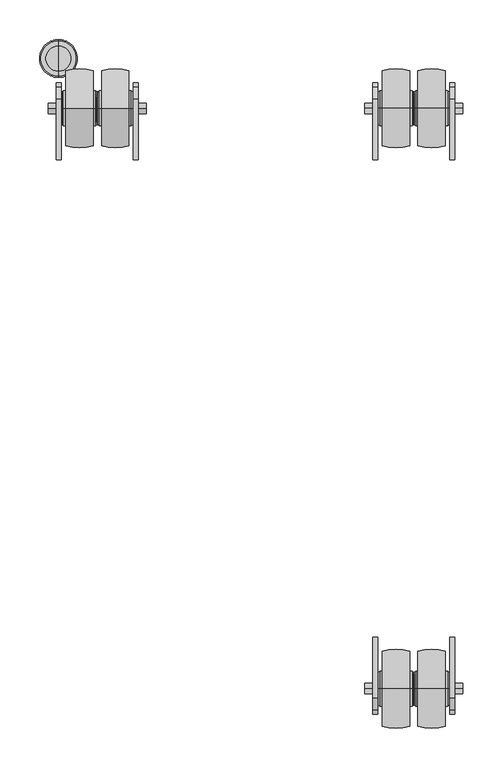
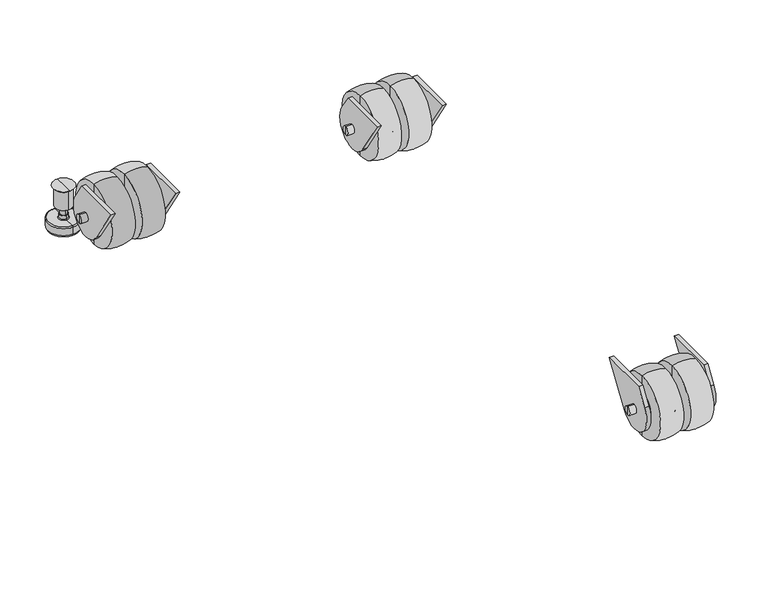
"""IFC4 building model written with IfcOpenShell, lengths in millimetres: proxy geometry."""

from ifc_helpers import new_model, si_unit, point, frame, frame_2d, origin, place, context, project, spatial, polyline, circle_curve, ellipse_curve, trimmed, segment, composite_curve, outline, extrude, source, transform, mapped, element, save
from ifc_brep_helpers import plane_surface, cylinder_surface, revolved_surface, advanced_brep


def specialty_equipment_0c48cecb(model_context):
    return source(origin(), model_context, "Body", "SolidModel", [
        extrude(outline(composite_curve([segment(trimmed(circle_curve(frame_2d((366.0763906, 55.5413333)), 31.75), [point((392.6631786, 72.8965977))], [point((339.4896026, 38.1860689))], False, "CARTESIAN"), True, "CONTINUOUS"), segment(polyline([(339.4896026, 38.1860689), (301.0788976, 97.028), (376.9107355, 97.028), (392.6631786, 72.8965977)]), True, "CONTINUOUS")], self_intersect=False)), frame((244.892125, 0.0, 0.0), z_axis=(1.0, 0.0, 0.0), x_axis=(0.0, 1.0, 0.0)), (0.0, 0.0, 1.0), 6.35),
        extrude(outline(composite_curve([segment(trimmed(circle_curve(frame_2d((366.0763906, 55.5413333)), 31.75), [point((392.6631786, 72.8965977))], [point((339.4896026, 38.1860689))], False, "CARTESIAN"), True, "CONTINUOUS"), segment(polyline([(339.4896026, 38.1860689), (301.0788976, 97.028), (376.9107355, 97.028), (392.6631786, 72.8965977)]), True, "CONTINUOUS")], self_intersect=False)), frame((147.70875, 0.0, 0.0), z_axis=(1.0, 0.0, 0.0), x_axis=(0.0, 1.0, 0.0)), (0.0, 0.0, 1.0), 6.35),
        advanced_brep(
        [(154.82075, 365.7201406, 48.9542667), (154.82075, 365.7201406, 62.1284), (137.54875, 365.7201406, 62.1284), (137.54875, 365.7201406, 48.9542667), (154.82075, 365.7201406, 34.8403333), (154.82075, 365.7201406, 76.2423333), (156.4696108, 365.7201406, 33.1914725), (156.4696108, 365.7201406, 77.8911941), (159.58325, 365.7201406, 33.1914725), (159.58325, 365.7201406, 77.8911941), (159.58325, 365.7201406, 8.1914725), (159.58325, 365.7201406, 102.8911941), (194.13325, 365.7201406, 33.1914725), (194.13325, 365.7201406, 77.8911941), (194.13325, 365.7201406, 102.8911941), (194.13325, 365.7201406, 8.1914725), (197.2468892, 365.7201406, 33.1914725), (197.2468892, 365.7201406, 77.8911941), (198.89575, 365.7201406, 34.8403333), (198.89575, 365.7201406, 76.2423333), (261.26775, 365.7201406, 48.9542667), (261.26775, 365.7201406, 62.1284), (243.99575, 365.7201406, 62.1284), (243.99575, 365.7201406, 48.9542667), (261.26775, 365.7201406, 55.5413333), (137.54875, 365.7201406, 55.5413333), (199.92075, 365.7201406, 34.8403333), (199.92075, 365.7201406, 76.2423333), (201.5696108, 365.7201406, 33.1914725), (201.5696108, 365.7201406, 77.8911941), (204.68325, 365.7201406, 33.1914725), (204.68325, 365.7201406, 77.8911941), (204.68325, 365.7201406, 8.1914725), (204.68325, 365.7201406, 102.8911941), (239.23325, 365.7201406, 8.1914725), (239.23325, 365.7201406, 102.8911941), (239.23325, 365.7201406, 33.1914725), (239.23325, 365.7201406, 77.8911941), (242.3468892, 365.7201406, 33.1914725), (242.3468892, 365.7201406, 77.8911941), (243.99575, 365.7201406, 34.8403333), (243.99575, 365.7201406, 76.2423333)],
        [
            (0, 1, circle_curve(frame((154.82075, 365.7201406, 55.5413333), z_axis=(-1.0, 0.0, 0.0), x_axis=(0.0, 0.0, 1.0)), 6.5870667)),
            (1, 2),
            (2, 3, circle_curve(frame((137.54875, 365.7201406, 55.5413333), z_axis=(1.0, 0.0, 0.0), x_axis=(0.0, 0.0, 1.0)), 6.5870667)),
            (3, 0),
            (1, 0, circle_curve(frame((154.82075, 365.7201406, 55.5413333), z_axis=(-1.0, 0.0, 0.0), x_axis=(0.0, 0.0, 1.0)), 6.5870667)),
            (3, 2, circle_curve(frame((137.54875, 365.7201406, 55.5413333), z_axis=(1.0, 0.0, 0.0), x_axis=(0.0, 0.0, 1.0)), 6.5870667)),
            (4, 5, circle_curve(frame((154.82075, 365.7201406, 55.5413333), z_axis=(-1.0, 0.0, 0.0), x_axis=(0.0, 0.0, 1.0)), 20.701)),
            (5, 1),
            (0, 4),
            (5, 4, circle_curve(frame((154.82075, 365.7201406, 55.5413333), z_axis=(-1.0, 0.0, 0.0), x_axis=(0.0, 0.0, 1.0)), 20.701)),
            (6, 7, circle_curve(frame((156.4696108, 365.7201406, 55.5413333), z_axis=(-1.0, 0.0, 0.0), x_axis=(0.0, 0.0, 1.0)), 22.3498608)),
            (7, 5),
            (4, 6),
            (7, 6, circle_curve(frame((156.4696108, 365.7201406, 55.5413333), z_axis=(-1.0, 0.0, 0.0), x_axis=(0.0, 0.0, 1.0)), 22.3498608)),
            (8, 9, circle_curve(frame((159.58325, 365.7201406, 55.5413333), z_axis=(-1.0, 0.0, 0.0), x_axis=(0.0, 0.0, 1.0)), 22.3498608)),
            (9, 7),
            (6, 8),
            (9, 8, circle_curve(frame((159.58325, 365.7201406, 55.5413333), z_axis=(-1.0, 0.0, 0.0), x_axis=(0.0, 0.0, 1.0)), 22.3498608)),
            (10, 11, circle_curve(frame((159.58325, 365.7201406, 55.5413333), z_axis=(-1.0, 0.0, 0.0), x_axis=(0.0, 0.0, 1.0)), 47.3498608)),
            (11, 9),
            (8, 10),
            (11, 10, circle_curve(frame((159.58325, 365.7201406, 55.5413333), z_axis=(-1.0, 0.0, 0.0), x_axis=(0.0, 0.0, 1.0)), 47.3498608)),
            (12, 13, circle_curve(frame((194.13325, 365.7201406, 55.5413333), z_axis=(-1.0, 0.0, 0.0), x_axis=(0.0, 0.0, 1.0)), 22.3498608)),
            (13, 14),
            (14, 15, circle_curve(frame((194.13325, 365.7201406, 55.5413333), z_axis=(1.0, 0.0, 0.0), x_axis=(0.0, 0.0, 1.0)), 47.3498608)),
            (15, 12),
            (13, 12, circle_curve(frame((194.13325, 365.7201406, 55.5413333), z_axis=(-1.0, 0.0, 0.0), x_axis=(0.0, 0.0, 1.0)), 22.3498608)),
            (15, 14, circle_curve(frame((194.13325, 365.7201406, 55.5413333), z_axis=(1.0, 0.0, 0.0), x_axis=(0.0, 0.0, 1.0)), 47.3498608)),
            (16, 17, circle_curve(frame((197.2468892, 365.7201406, 55.5413333), z_axis=(-1.0, 0.0, 0.0), x_axis=(0.0, 0.0, 1.0)), 22.3498608)),
            (17, 13),
            (12, 16),
            (17, 16, circle_curve(frame((197.2468892, 365.7201406, 55.5413333), z_axis=(-1.0, 0.0, 0.0), x_axis=(0.0, 0.0, 1.0)), 22.3498608)),
            (18, 19, circle_curve(frame((198.89575, 365.7201406, 55.5413333), z_axis=(-1.0, 0.0, 0.0), x_axis=(0.0, 0.0, 1.0)), 20.701)),
            (19, 17),
            (16, 18),
            (19, 18, circle_curve(frame((198.89575, 365.7201406, 55.5413333), z_axis=(-1.0, 0.0, 0.0), x_axis=(0.0, 0.0, 1.0)), 20.701)),
            (20, 21, circle_curve(frame((261.26775, 365.7201406, 55.5413333), z_axis=(-1.0, 0.0, 0.0), x_axis=(0.0, 0.0, 1.0)), 6.5870667)),
            (21, 22),
            (22, 23, circle_curve(frame((243.99575, 365.7201406, 55.5413333), z_axis=(1.0, 0.0, 0.0), x_axis=(0.0, 0.0, 1.0)), 6.5870667)),
            (23, 20),
            (21, 20, circle_curve(frame((261.26775, 365.7201406, 55.5413333), z_axis=(-1.0, 0.0, 0.0), x_axis=(0.0, 0.0, 1.0)), 6.5870667)),
            (23, 22, circle_curve(frame((243.99575, 365.7201406, 55.5413333), z_axis=(1.0, 0.0, 0.0), x_axis=(0.0, 0.0, 1.0)), 6.5870667)),
            (24, 21),
            (20, 24),
            (2, 25),
            (25, 3),
            (14, 11, circle_curve(frame((176.85825, 365.7201406, 52.5467295), z_axis=(0.0, -1.0, 0.0), x_axis=(-1.0, 0.0, 0.0)), 53.2258466)),
            (10, 15, circle_curve(frame((176.85825, 365.7201406, 58.5359371), z_axis=(0.0, -1.0, 0.0), x_axis=(-1.0, 0.0, 0.0)), 53.2258466)),
            (26, 27, circle_curve(frame((199.92075, 365.7201406, 55.5413333), z_axis=(-1.0, 0.0, 0.0), x_axis=(0.0, 0.0, 1.0)), 20.701)),
            (27, 19),
            (18, 26),
            (27, 26, circle_curve(frame((199.92075, 365.7201406, 55.5413333), z_axis=(-1.0, 0.0, 0.0), x_axis=(0.0, 0.0, 1.0)), 20.701)),
            (28, 29, circle_curve(frame((201.5696108, 365.7201406, 55.5413333), z_axis=(-1.0, 0.0, 0.0), x_axis=(0.0, 0.0, 1.0)), 22.3498608)),
            (29, 27),
            (26, 28),
            (29, 28, circle_curve(frame((201.5696108, 365.7201406, 55.5413333), z_axis=(-1.0, 0.0, 0.0), x_axis=(0.0, 0.0, 1.0)), 22.3498608)),
            (30, 31, circle_curve(frame((204.68325, 365.7201406, 55.5413333), z_axis=(-1.0, 0.0, 0.0), x_axis=(0.0, 0.0, 1.0)), 22.3498608)),
            (31, 29),
            (28, 30),
            (31, 30, circle_curve(frame((204.68325, 365.7201406, 55.5413333), z_axis=(-1.0, 0.0, 0.0), x_axis=(0.0, 0.0, 1.0)), 22.3498608)),
            (32, 33, circle_curve(frame((204.68325, 365.7201406, 55.5413333), z_axis=(-1.0, 0.0, 0.0), x_axis=(0.0, 0.0, 1.0)), 47.3498608)),
            (33, 31),
            (30, 32),
            (33, 32, circle_curve(frame((204.68325, 365.7201406, 55.5413333), z_axis=(-1.0, 0.0, 0.0), x_axis=(0.0, 0.0, 1.0)), 47.3498608)),
            (34, 35, circle_curve(frame((239.23325, 365.7201406, 55.5413333), z_axis=(-1.0, 0.0, 0.0), x_axis=(0.0, 0.0, 1.0)), 47.3498608)),
            (35, 33, circle_curve(frame((221.95825, 365.7201406, 52.5467295), z_axis=(0.0, -1.0, 0.0), x_axis=(-1.0, 0.0, 0.0)), 53.2258466)),
            (32, 34, circle_curve(frame((221.95825, 365.7201406, 58.5359371), z_axis=(0.0, -1.0, 0.0), x_axis=(-1.0, 0.0, 0.0)), 53.2258466)),
            (35, 34, circle_curve(frame((239.23325, 365.7201406, 55.5413333), z_axis=(-1.0, 0.0, 0.0), x_axis=(0.0, 0.0, 1.0)), 47.3498608)),
            (36, 37, circle_curve(frame((239.23325, 365.7201406, 55.5413333), z_axis=(-1.0, 0.0, 0.0), x_axis=(0.0, 0.0, 1.0)), 22.3498608)),
            (37, 35),
            (34, 36),
            (37, 36, circle_curve(frame((239.23325, 365.7201406, 55.5413333), z_axis=(-1.0, 0.0, 0.0), x_axis=(0.0, 0.0, 1.0)), 22.3498608)),
            (38, 39, circle_curve(frame((242.3468892, 365.7201406, 55.5413333), z_axis=(-1.0, 0.0, 0.0), x_axis=(0.0, 0.0, 1.0)), 22.3498608)),
            (39, 37),
            (36, 38),
            (39, 38, circle_curve(frame((242.3468892, 365.7201406, 55.5413333), z_axis=(-1.0, 0.0, 0.0), x_axis=(0.0, 0.0, 1.0)), 22.3498608)),
            (40, 41, circle_curve(frame((243.99575, 365.7201406, 55.5413333), z_axis=(-1.0, 0.0, 0.0), x_axis=(0.0, 0.0, 1.0)), 20.701)),
            (41, 39),
            (38, 40),
            (41, 40, circle_curve(frame((243.99575, 365.7201406, 55.5413333), z_axis=(-1.0, 0.0, 0.0), x_axis=(0.0, 0.0, 1.0)), 20.701)),
            (22, 41),
            (40, 23),
        ],
        [
            cylinder_surface(frame((232.41775, 365.7201406, 55.5413333), z_axis=(1.0, 0.0, 0.0), x_axis=(0.0, 0.0, 1.0)), 6.5870667),
            plane_surface(frame((154.82075, 365.7201406, 55.5413333), z_axis=(-1.0, 0.0, 0.0), x_axis=(0.0, 0.0, 1.0))),
            revolved_surface(polyline([(154.82075, 365.7201406, 76.2423333), (156.4696108, 365.7201406, 77.8911941)]), (232.41775, 365.7201406, 55.5413333), (1.0, 0.0, 0.0)),
            cylinder_surface(frame((232.41775, 365.7201406, 55.5413333), z_axis=(1.0, 0.0, 0.0), x_axis=(0.0, 0.0, 1.0)), 22.3498608),
            plane_surface(frame((159.58325, 365.7201406, 55.5413333), z_axis=(-1.0, 0.0, 0.0), x_axis=(0.0, 0.0, 1.0))),
            plane_surface(frame((194.13325, 365.7201406, 55.5413333), z_axis=(1.0, 0.0, 0.0), x_axis=(0.0, 0.0, 1.0))),
            revolved_surface(polyline([(197.2468892, 365.7201406, 77.8911941), (198.89575, 365.7201406, 76.2423333)]), (232.41775, 365.7201406, 55.5413333), (1.0, 0.0, 0.0)),
            plane_surface(frame((261.26775, 365.7201406, 55.5413333), z_axis=(1.0, 0.0, 0.0), x_axis=(0.0, 0.0, 1.0))),
            plane_surface(frame((137.54875, 365.7201406, 55.5413333), z_axis=(-1.0, 0.0, 0.0), x_axis=(0.0, 0.0, 1.0))),
            revolved_surface(trimmed(ellipse_curve(frame((176.85825, 365.7201406, 52.5467295), z_axis=(0.0, 1.0, 0.0), x_axis=(-1.0, 0.0, 0.0)), 53.2258466, 53.2258466), [point((159.58325, 365.7201406, 102.8911941))], [point((194.13325, 365.7201406, 102.8911941))], True, "CARTESIAN"), (232.41775, 365.7201406, 55.5413333), (1.0, 0.0, 0.0)),
            cylinder_surface(frame((232.41775, 365.7201406, 55.5413333), z_axis=(1.0, 0.0, 0.0), x_axis=(0.0, 0.0, 1.0)), 20.701),
            revolved_surface(polyline([(199.92075, 365.7201406, 76.2423333), (201.5696108, 365.7201406, 77.8911941)]), (232.41775, 365.7201406, 55.5413333), (1.0, 0.0, 0.0)),
            plane_surface(frame((204.68325, 365.7201406, 55.5413333), z_axis=(-1.0, 0.0, 0.0), x_axis=(0.0, 0.0, 1.0))),
            revolved_surface(trimmed(ellipse_curve(frame((221.95825, 365.7201406, 52.5467295), z_axis=(0.0, 1.0, 0.0), x_axis=(-1.0, 0.0, 0.0)), 53.2258466, 53.2258466), [point((204.68325, 365.7201406, 102.8911941))], [point((239.23325, 365.7201406, 102.8911941))], True, "CARTESIAN"), (232.41775, 365.7201406, 55.5413333), (1.0, 0.0, 0.0)),
            plane_surface(frame((239.23325, 365.7201406, 55.5413333), z_axis=(1.0, 0.0, 0.0), x_axis=(0.0, 0.0, 1.0))),
            revolved_surface(polyline([(242.3468892, 365.7201406, 77.8911941), (243.99575, 365.7201406, 76.2423333)]), (232.41775, 365.7201406, 55.5413333), (1.0, 0.0, 0.0)),
            plane_surface(frame((243.99575, 365.7201406, 55.5413333), z_axis=(1.0, 0.0, 0.0), x_axis=(0.0, 0.0, 1.0))),
        ],
        [
            (0, [[1, 2, 3, 4]]),
            (0, [[5, -4, 6, -2]]),
            (1, [[7, 8, -1, 9]]),
            (1, [[10, -9, -5, -8]]),
            (2, [[11, 12, -7, 13]]),
            (2, [[14, -13, -10, -12]]),
            (3, [[15, 16, -11, 17]]),
            (3, [[18, -17, -14, -16]]),
            (4, [[19, 20, -15, 21]]),
            (4, [[22, -21, -18, -20]]),
            (5, [[23, 24, 25, 26]]),
            (5, [[27, -26, 28, -24]]),
            (3, [[29, 30, -23, 31]]),
            (3, [[32, -31, -27, -30]]),
            (6, [[33, 34, -29, 35]]),
            (6, [[36, -35, -32, -34]]),
            (0, [[37, 38, 39, 40]]),
            (0, [[41, -40, 42, -38]]),
            (7, [[43, -37, 44]]),
            (7, [[-44, -41, -43]]),
            (8, [[-3, 45, 46]]),
            (8, [[-6, -46, -45]]),
            (9, [[-25, 47, -19, 48]]),
            (9, [[-28, -48, -22, -47]]),
            (10, [[49, 50, -33, 51]]),
            (10, [[52, -51, -36, -50]]),
            (11, [[53, 54, -49, 55]]),
            (11, [[56, -55, -52, -54]]),
            (3, [[57, 58, -53, 59]]),
            (3, [[60, -59, -56, -58]]),
            (12, [[61, 62, -57, 63]]),
            (12, [[64, -63, -60, -62]]),
            (13, [[65, 66, -61, 67]]),
            (13, [[68, -67, -64, -66]]),
            (14, [[69, 70, -65, 71]]),
            (14, [[72, -71, -68, -70]]),
            (3, [[73, 74, -69, 75]]),
            (3, [[76, -75, -72, -74]]),
            (15, [[77, 78, -73, 79]]),
            (15, [[80, -79, -76, -78]]),
            (16, [[-39, 81, -77, 82]]),
            (16, [[-42, -82, -80, -81]]),
        ],
    ),
        extrude(outline(composite_curve([segment(trimmed(circle_curve(frame_2d((366.0763906, 55.5413333)), 31.75), [point((392.6631786, 72.8965977))], [point((339.4896026, 38.1860689))], False, "CARTESIAN"), True, "CONTINUOUS"), segment(polyline([(339.4896026, 38.1860689), (301.0788976, 97.028), (376.9107355, 97.028), (392.6631786, 72.8965977)]), True, "CONTINUOUS")], self_intersect=False)), frame((-251.242125, 0.0, 0.0), z_axis=(1.0, 0.0, 0.0), x_axis=(0.0, 1.0, 0.0)), (0.0, 0.0, 1.0), 6.35),
        extrude(outline(composite_curve([segment(trimmed(circle_curve(frame_2d((366.0763906, 55.5413333)), 31.75), [point((392.6631786, 72.8965977))], [point((339.4896026, 38.1860689))], False, "CARTESIAN"), True, "CONTINUOUS"), segment(polyline([(339.4896026, 38.1860689), (301.0788976, 97.028), (376.9107355, 97.028), (392.6631786, 72.8965977)]), True, "CONTINUOUS")], self_intersect=False)), frame((-154.05875, 0.0, 0.0), z_axis=(1.0, 0.0, 0.0), x_axis=(0.0, 1.0, 0.0)), (0.0, 0.0, 1.0), 6.35),
        advanced_brep(
        [(-154.82075, 365.7201406, 48.9542667), (-154.82075, 365.7201406, 62.1284), (-137.54875, 365.7201406, 62.1284), (-137.54875, 365.7201406, 48.9542667), (-154.82075, 365.7201406, 34.8403333), (-154.82075, 365.7201406, 76.2423333), (-156.4696108, 365.7201406, 33.1914725), (-156.4696108, 365.7201406, 77.8911941), (-159.58325, 365.7201406, 33.1914725), (-159.58325, 365.7201406, 77.8911941), (-159.58325, 365.7201406, 8.1914725), (-159.58325, 365.7201406, 102.8911941), (-194.13325, 365.7201406, 33.1914725), (-194.13325, 365.7201406, 77.8911941), (-194.13325, 365.7201406, 102.8911941), (-194.13325, 365.7201406, 8.1914725), (-197.2468892, 365.7201406, 33.1914725), (-197.2468892, 365.7201406, 77.8911941), (-198.89575, 365.7201406, 34.8403333), (-198.89575, 365.7201406, 76.2423333), (-261.26775, 365.7201406, 48.9542667), (-261.26775, 365.7201406, 62.1284), (-243.99575, 365.7201406, 62.1284), (-243.99575, 365.7201406, 48.9542667), (-261.26775, 365.7201406, 55.5413333), (-137.54875, 365.7201406, 55.5413333), (-199.92075, 365.7201406, 34.8403333), (-199.92075, 365.7201406, 76.2423333), (-201.5696108, 365.7201406, 33.1914725), (-201.5696108, 365.7201406, 77.8911941), (-204.68325, 365.7201406, 33.1914725), (-204.68325, 365.7201406, 77.8911941), (-204.68325, 365.7201406, 8.1914725), (-204.68325, 365.7201406, 102.8911941), (-239.23325, 365.7201406, 8.1914725), (-239.23325, 365.7201406, 102.8911941), (-239.23325, 365.7201406, 33.1914725), (-239.23325, 365.7201406, 77.8911941), (-242.3468892, 365.7201406, 33.1914725), (-242.3468892, 365.7201406, 77.8911941), (-243.99575, 365.7201406, 34.8403333), (-243.99575, 365.7201406, 76.2423333)],
        [
            (0, 1, circle_curve(frame((-154.82075, 365.7201406, 55.5413333), z_axis=(1.0, 0.0, 0.0), x_axis=(0.0, 0.0, 1.0)), 6.5870667)),
            (1, 2),
            (2, 3, circle_curve(frame((-137.54875, 365.7201406, 55.5413333), z_axis=(-1.0, 0.0, 0.0), x_axis=(0.0, 0.0, 1.0)), 6.5870667)),
            (3, 0),
            (1, 0, circle_curve(frame((-154.82075, 365.7201406, 55.5413333), z_axis=(1.0, 0.0, 0.0), x_axis=(0.0, 0.0, 1.0)), 6.5870667)),
            (3, 2, circle_curve(frame((-137.54875, 365.7201406, 55.5413333), z_axis=(-1.0, 0.0, 0.0), x_axis=(0.0, 0.0, 1.0)), 6.5870667)),
            (4, 5, circle_curve(frame((-154.82075, 365.7201406, 55.5413333), z_axis=(1.0, 0.0, 0.0), x_axis=(0.0, 0.0, 1.0)), 20.701)),
            (5, 1),
            (0, 4),
            (5, 4, circle_curve(frame((-154.82075, 365.7201406, 55.5413333), z_axis=(1.0, 0.0, 0.0), x_axis=(0.0, 0.0, 1.0)), 20.701)),
            (6, 7, circle_curve(frame((-156.4696108, 365.7201406, 55.5413333), z_axis=(1.0, 0.0, 0.0), x_axis=(0.0, 0.0, 1.0)), 22.3498608)),
            (7, 5),
            (4, 6),
            (7, 6, circle_curve(frame((-156.4696108, 365.7201406, 55.5413333), z_axis=(1.0, 0.0, 0.0), x_axis=(0.0, 0.0, 1.0)), 22.3498608)),
            (8, 9, circle_curve(frame((-159.58325, 365.7201406, 55.5413333), z_axis=(1.0, 0.0, 0.0), x_axis=(0.0, 0.0, 1.0)), 22.3498608)),
            (9, 7),
            (6, 8),
            (9, 8, circle_curve(frame((-159.58325, 365.7201406, 55.5413333), z_axis=(1.0, 0.0, 0.0), x_axis=(0.0, 0.0, 1.0)), 22.3498608)),
            (10, 11, circle_curve(frame((-159.58325, 365.7201406, 55.5413333), z_axis=(1.0, 0.0, 0.0), x_axis=(0.0, 0.0, 1.0)), 47.3498608)),
            (11, 9),
            (8, 10),
            (11, 10, circle_curve(frame((-159.58325, 365.7201406, 55.5413333), z_axis=(1.0, 0.0, 0.0), x_axis=(0.0, 0.0, 1.0)), 47.3498608)),
            (12, 13, circle_curve(frame((-194.13325, 365.7201406, 55.5413333), z_axis=(1.0, 0.0, 0.0), x_axis=(0.0, 0.0, 1.0)), 22.3498608)),
            (13, 14),
            (14, 15, circle_curve(frame((-194.13325, 365.7201406, 55.5413333), z_axis=(-1.0, 0.0, 0.0), x_axis=(0.0, 0.0, 1.0)), 47.3498608)),
            (15, 12),
            (13, 12, circle_curve(frame((-194.13325, 365.7201406, 55.5413333), z_axis=(1.0, 0.0, 0.0), x_axis=(0.0, 0.0, 1.0)), 22.3498608)),
            (15, 14, circle_curve(frame((-194.13325, 365.7201406, 55.5413333), z_axis=(-1.0, 0.0, 0.0), x_axis=(0.0, 0.0, 1.0)), 47.3498608)),
            (16, 17, circle_curve(frame((-197.2468892, 365.7201406, 55.5413333), z_axis=(1.0, 0.0, 0.0), x_axis=(0.0, 0.0, 1.0)), 22.3498608)),
            (17, 13),
            (12, 16),
            (17, 16, circle_curve(frame((-197.2468892, 365.7201406, 55.5413333), z_axis=(1.0, 0.0, 0.0), x_axis=(0.0, 0.0, 1.0)), 22.3498608)),
            (18, 19, circle_curve(frame((-198.89575, 365.7201406, 55.5413333), z_axis=(1.0, 0.0, 0.0), x_axis=(0.0, 0.0, 1.0)), 20.701)),
            (19, 17),
            (16, 18),
            (19, 18, circle_curve(frame((-198.89575, 365.7201406, 55.5413333), z_axis=(1.0, 0.0, 0.0), x_axis=(0.0, 0.0, 1.0)), 20.701)),
            (20, 21, circle_curve(frame((-261.26775, 365.7201406, 55.5413333), z_axis=(1.0, 0.0, 0.0), x_axis=(0.0, 0.0, 1.0)), 6.5870667)),
            (21, 22),
            (22, 23, circle_curve(frame((-243.99575, 365.7201406, 55.5413333), z_axis=(-1.0, 0.0, 0.0), x_axis=(0.0, 0.0, 1.0)), 6.5870667)),
            (23, 20),
            (21, 20, circle_curve(frame((-261.26775, 365.7201406, 55.5413333), z_axis=(1.0, 0.0, 0.0), x_axis=(0.0, 0.0, 1.0)), 6.5870667)),
            (23, 22, circle_curve(frame((-243.99575, 365.7201406, 55.5413333), z_axis=(-1.0, 0.0, 0.0), x_axis=(0.0, 0.0, 1.0)), 6.5870667)),
            (24, 21),
            (20, 24),
            (2, 25),
            (25, 3),
            (14, 11, circle_curve(frame((-176.85825, 365.7201406, 52.5467295), z_axis=(0.0, 1.0, 0.0), x_axis=(1.0, 0.0, 0.0)), 53.2258466)),
            (10, 15, circle_curve(frame((-176.85825, 365.7201406, 58.5359371), z_axis=(0.0, 1.0, 0.0), x_axis=(1.0, 0.0, 0.0)), 53.2258466)),
            (26, 27, circle_curve(frame((-199.92075, 365.7201406, 55.5413333), z_axis=(1.0, 0.0, 0.0), x_axis=(0.0, 0.0, 1.0)), 20.701)),
            (27, 19),
            (18, 26),
            (27, 26, circle_curve(frame((-199.92075, 365.7201406, 55.5413333), z_axis=(1.0, 0.0, 0.0), x_axis=(0.0, 0.0, 1.0)), 20.701)),
            (28, 29, circle_curve(frame((-201.5696108, 365.7201406, 55.5413333), z_axis=(1.0, 0.0, 0.0), x_axis=(0.0, 0.0, 1.0)), 22.3498608)),
            (29, 27),
            (26, 28),
            (29, 28, circle_curve(frame((-201.5696108, 365.7201406, 55.5413333), z_axis=(1.0, 0.0, 0.0), x_axis=(0.0, 0.0, 1.0)), 22.3498608)),
            (30, 31, circle_curve(frame((-204.68325, 365.7201406, 55.5413333), z_axis=(1.0, 0.0, 0.0), x_axis=(0.0, 0.0, 1.0)), 22.3498608)),
            (31, 29),
            (28, 30),
            (31, 30, circle_curve(frame((-204.68325, 365.7201406, 55.5413333), z_axis=(1.0, 0.0, 0.0), x_axis=(0.0, 0.0, 1.0)), 22.3498608)),
            (32, 33, circle_curve(frame((-204.68325, 365.7201406, 55.5413333), z_axis=(1.0, 0.0, 0.0), x_axis=(0.0, 0.0, 1.0)), 47.3498608)),
            (33, 31),
            (30, 32),
            (33, 32, circle_curve(frame((-204.68325, 365.7201406, 55.5413333), z_axis=(1.0, 0.0, 0.0), x_axis=(0.0, 0.0, 1.0)), 47.3498608)),
            (34, 35, circle_curve(frame((-239.23325, 365.7201406, 55.5413333), z_axis=(1.0, 0.0, 0.0), x_axis=(0.0, 0.0, 1.0)), 47.3498608)),
            (35, 33, circle_curve(frame((-221.95825, 365.7201406, 52.5467295), z_axis=(0.0, 1.0, 0.0), x_axis=(1.0, 0.0, 0.0)), 53.2258466)),
            (32, 34, circle_curve(frame((-221.95825, 365.7201406, 58.5359371), z_axis=(0.0, 1.0, 0.0), x_axis=(1.0, 0.0, 0.0)), 53.2258466)),
            (35, 34, circle_curve(frame((-239.23325, 365.7201406, 55.5413333), z_axis=(1.0, 0.0, 0.0), x_axis=(0.0, 0.0, 1.0)), 47.3498608)),
            (36, 37, circle_curve(frame((-239.23325, 365.7201406, 55.5413333), z_axis=(1.0, 0.0, 0.0), x_axis=(0.0, 0.0, 1.0)), 22.3498608)),
            (37, 35),
            (34, 36),
            (37, 36, circle_curve(frame((-239.23325, 365.7201406, 55.5413333), z_axis=(1.0, 0.0, 0.0), x_axis=(0.0, 0.0, 1.0)), 22.3498608)),
            (38, 39, circle_curve(frame((-242.3468892, 365.7201406, 55.5413333), z_axis=(1.0, 0.0, 0.0), x_axis=(0.0, 0.0, 1.0)), 22.3498608)),
            (39, 37),
            (36, 38),
            (39, 38, circle_curve(frame((-242.3468892, 365.7201406, 55.5413333), z_axis=(1.0, 0.0, 0.0), x_axis=(0.0, 0.0, 1.0)), 22.3498608)),
            (40, 41, circle_curve(frame((-243.99575, 365.7201406, 55.5413333), z_axis=(1.0, 0.0, 0.0), x_axis=(0.0, 0.0, 1.0)), 20.701)),
            (41, 39),
            (38, 40),
            (41, 40, circle_curve(frame((-243.99575, 365.7201406, 55.5413333), z_axis=(1.0, 0.0, 0.0), x_axis=(0.0, 0.0, 1.0)), 20.701)),
            (22, 41),
            (40, 23),
        ],
        [
            cylinder_surface(frame((-232.41775, 365.7201406, 55.5413333), z_axis=(-1.0, 0.0, 0.0), x_axis=(0.0, 0.0, 1.0)), 6.5870667),
            plane_surface(frame((-154.82075, 365.7201406, 55.5413333), z_axis=(1.0, 0.0, 0.0), x_axis=(0.0, 0.0, 1.0))),
            revolved_surface(polyline([(-154.82075, 365.7201406, 76.2423333), (-156.4696108, 365.7201406, 77.8911941)]), (-232.41775, 365.7201406, 55.5413333), (-1.0, 0.0, 0.0)),
            cylinder_surface(frame((-232.41775, 365.7201406, 55.5413333), z_axis=(-1.0, 0.0, 0.0), x_axis=(0.0, 0.0, 1.0)), 22.3498608),
            plane_surface(frame((-159.58325, 365.7201406, 55.5413333), z_axis=(1.0, 0.0, 0.0), x_axis=(0.0, 0.0, 1.0))),
            plane_surface(frame((-194.13325, 365.7201406, 55.5413333), z_axis=(-1.0, 0.0, 0.0), x_axis=(0.0, 0.0, 1.0))),
            revolved_surface(polyline([(-197.2468892, 365.7201406, 77.8911941), (-198.89575, 365.7201406, 76.2423333)]), (-232.41775, 365.7201406, 55.5413333), (-1.0, 0.0, 0.0)),
            plane_surface(frame((-261.26775, 365.7201406, 55.5413333), z_axis=(-1.0, 0.0, 0.0), x_axis=(0.0, 0.0, 1.0))),
            plane_surface(frame((-137.54875, 365.7201406, 55.5413333), z_axis=(1.0, 0.0, 0.0), x_axis=(0.0, 0.0, 1.0))),
            revolved_surface(trimmed(ellipse_curve(frame((-176.85825, 365.7201406, 52.5467295), z_axis=(0.0, -1.0, 0.0), x_axis=(1.0, 0.0, 0.0)), 53.2258466, 53.2258466), [point((-159.58325, 365.7201406, 102.8911941))], [point((-194.13325, 365.7201406, 102.8911941))], True, "CARTESIAN"), (-232.41775, 365.7201406, 55.5413333), (-1.0, 0.0, 0.0)),
            cylinder_surface(frame((-232.41775, 365.7201406, 55.5413333), z_axis=(-1.0, 0.0, 0.0), x_axis=(0.0, 0.0, 1.0)), 20.701),
            revolved_surface(polyline([(-199.92075, 365.7201406, 76.2423333), (-201.5696108, 365.7201406, 77.8911941)]), (-232.41775, 365.7201406, 55.5413333), (-1.0, 0.0, 0.0)),
            plane_surface(frame((-204.68325, 365.7201406, 55.5413333), z_axis=(1.0, 0.0, 0.0), x_axis=(0.0, 0.0, 1.0))),
            revolved_surface(trimmed(ellipse_curve(frame((-221.95825, 365.7201406, 52.5467295), z_axis=(0.0, -1.0, 0.0), x_axis=(1.0, 0.0, 0.0)), 53.2258466, 53.2258466), [point((-204.68325, 365.7201406, 102.8911941))], [point((-239.23325, 365.7201406, 102.8911941))], True, "CARTESIAN"), (-232.41775, 365.7201406, 55.5413333), (-1.0, 0.0, 0.0)),
            plane_surface(frame((-239.23325, 365.7201406, 55.5413333), z_axis=(-1.0, 0.0, 0.0), x_axis=(0.0, 0.0, 1.0))),
            revolved_surface(polyline([(-242.3468892, 365.7201406, 77.8911941), (-243.99575, 365.7201406, 76.2423333)]), (-232.41775, 365.7201406, 55.5413333), (-1.0, 0.0, 0.0)),
            plane_surface(frame((-243.99575, 365.7201406, 55.5413333), z_axis=(-1.0, 0.0, 0.0), x_axis=(0.0, 0.0, 1.0))),
        ],
        [
            (0, [[1, 2, 3, 4]]),
            (0, [[5, -4, 6, -2]]),
            (1, [[7, 8, -1, 9]]),
            (1, [[10, -9, -5, -8]]),
            (2, [[11, 12, -7, 13]]),
            (2, [[14, -13, -10, -12]]),
            (3, [[15, 16, -11, 17]]),
            (3, [[18, -17, -14, -16]]),
            (4, [[19, 20, -15, 21]]),
            (4, [[22, -21, -18, -20]]),
            (5, [[23, 24, 25, 26]]),
            (5, [[27, -26, 28, -24]]),
            (3, [[29, 30, -23, 31]]),
            (3, [[32, -31, -27, -30]]),
            (6, [[33, 34, -29, 35]]),
            (6, [[36, -35, -32, -34]]),
            (0, [[37, 38, 39, 40]]),
            (0, [[41, -40, 42, -38]]),
            (7, [[43, -37, 44]]),
            (7, [[-44, -41, -43]]),
            (8, [[-3, 45, 46]]),
            (8, [[-6, -46, -45]]),
            (9, [[-25, 47, -19, 48]]),
            (9, [[-28, -48, -22, -47]]),
            (10, [[49, 50, -33, 51]]),
            (10, [[52, -51, -36, -50]]),
            (11, [[53, 54, -49, 55]]),
            (11, [[56, -55, -52, -54]]),
            (3, [[57, 58, -53, 59]]),
            (3, [[60, -59, -56, -58]]),
            (12, [[61, 62, -57, 63]]),
            (12, [[64, -63, -60, -62]]),
            (13, [[65, 66, -61, 67]]),
            (13, [[68, -67, -64, -66]]),
            (14, [[69, 70, -65, 71]]),
            (14, [[72, -71, -68, -70]]),
            (3, [[73, 74, -69, 75]]),
            (3, [[76, -75, -72, -74]]),
            (15, [[77, 78, -73, 79]]),
            (15, [[80, -79, -76, -78]]),
            (16, [[-39, 81, -77, 82]]),
            (16, [[-42, -82, -80, -81]]),
        ],
    ),
        extrude(outline(composite_curve([segment(polyline([(-392.6631786, 72.8965977), (-376.9107355, 97.028), (-301.0788976, 97.028), (-339.4896026, 38.1860689)]), True, "CONTINUOUS"), segment(trimmed(circle_curve(frame_2d((-366.0763906, 55.5413333)), 31.75), [point((-339.4896026, 38.1860689))], [point((-392.6631786, 72.8965977))], False, "CARTESIAN"), True, "CONTINUOUS")], self_intersect=False)), frame((244.892125, 0.0, 0.0), z_axis=(1.0, 0.0, 0.0), x_axis=(0.0, 1.0, 0.0)), (0.0, 0.0, 1.0), 6.35),
        extrude(outline(composite_curve([segment(polyline([(-392.6631786, 72.8965977), (-376.9107355, 97.028), (-301.0788976, 97.028), (-339.4896026, 38.1860689)]), True, "CONTINUOUS"), segment(trimmed(circle_curve(frame_2d((-366.0763906, 55.5413333)), 31.75), [point((-339.4896026, 38.1860689))], [point((-392.6631786, 72.8965977))], False, "CARTESIAN"), True, "CONTINUOUS")], self_intersect=False)), frame((147.70875, 0.0, 0.0), z_axis=(1.0, 0.0, 0.0), x_axis=(0.0, 1.0, 0.0)), (0.0, 0.0, 1.0), 6.35),
        advanced_brep(
        [(154.82075, -365.7201406, 48.9542667), (154.82075, -365.7201406, 62.1284), (137.54875, -365.7201406, 62.1284), (137.54875, -365.7201406, 48.9542667), (154.82075, -365.7201406, 34.8403333), (154.82075, -365.7201406, 76.2423333), (156.4696108, -365.7201406, 33.1914725), (156.4696108, -365.7201406, 77.8911941), (159.58325, -365.7201406, 33.1914725), (159.58325, -365.7201406, 77.8911941), (159.58325, -365.7201406, 8.1914725), (159.58325, -365.7201406, 102.8911941), (194.13325, -365.7201406, 33.1914725), (194.13325, -365.7201406, 77.8911941), (194.13325, -365.7201406, 102.8911941), (194.13325, -365.7201406, 8.1914725), (197.2468892, -365.7201406, 33.1914725), (197.2468892, -365.7201406, 77.8911941), (198.89575, -365.7201406, 34.8403333), (198.89575, -365.7201406, 76.2423333), (261.26775, -365.7201406, 48.9542667), (261.26775, -365.7201406, 62.1284), (243.99575, -365.7201406, 62.1284), (243.99575, -365.7201406, 48.9542667), (261.26775, -365.7201406, 55.5413333), (137.54875, -365.7201406, 55.5413333), (199.92075, -365.7201406, 34.8403333), (199.92075, -365.7201406, 76.2423333), (201.5696108, -365.7201406, 33.1914725), (201.5696108, -365.7201406, 77.8911941), (204.68325, -365.7201406, 33.1914725), (204.68325, -365.7201406, 77.8911941), (204.68325, -365.7201406, 8.1914725), (204.68325, -365.7201406, 102.8911941), (239.23325, -365.7201406, 8.1914725), (239.23325, -365.7201406, 102.8911941), (239.23325, -365.7201406, 33.1914725), (239.23325, -365.7201406, 77.8911941), (242.3468892, -365.7201406, 33.1914725), (242.3468892, -365.7201406, 77.8911941), (243.99575, -365.7201406, 34.8403333), (243.99575, -365.7201406, 76.2423333)],
        [
            (0, 1, circle_curve(frame((154.82075, -365.7201406, 55.5413333), z_axis=(-1.0, 0.0, 0.0), x_axis=(0.0, 0.0, 1.0)), 6.5870667)),
            (1, 2),
            (2, 3, circle_curve(frame((137.54875, -365.7201406, 55.5413333), z_axis=(1.0, 0.0, 0.0), x_axis=(0.0, 0.0, 1.0)), 6.5870667)),
            (3, 0),
            (1, 0, circle_curve(frame((154.82075, -365.7201406, 55.5413333), z_axis=(-1.0, 0.0, 0.0), x_axis=(0.0, 0.0, 1.0)), 6.5870667)),
            (3, 2, circle_curve(frame((137.54875, -365.7201406, 55.5413333), z_axis=(1.0, 0.0, 0.0), x_axis=(0.0, 0.0, 1.0)), 6.5870667)),
            (4, 5, circle_curve(frame((154.82075, -365.7201406, 55.5413333), z_axis=(-1.0, 0.0, 0.0), x_axis=(0.0, 0.0, 1.0)), 20.701)),
            (5, 1),
            (0, 4),
            (5, 4, circle_curve(frame((154.82075, -365.7201406, 55.5413333), z_axis=(-1.0, 0.0, 0.0), x_axis=(0.0, 0.0, 1.0)), 20.701)),
            (6, 7, circle_curve(frame((156.4696108, -365.7201406, 55.5413333), z_axis=(-1.0, 0.0, 0.0), x_axis=(0.0, 0.0, 1.0)), 22.3498608)),
            (7, 5),
            (4, 6),
            (7, 6, circle_curve(frame((156.4696108, -365.7201406, 55.5413333), z_axis=(-1.0, 0.0, 0.0), x_axis=(0.0, 0.0, 1.0)), 22.3498608)),
            (8, 9, circle_curve(frame((159.58325, -365.7201406, 55.5413333), z_axis=(-1.0, 0.0, 0.0), x_axis=(0.0, 0.0, 1.0)), 22.3498608)),
            (9, 7),
            (6, 8),
            (9, 8, circle_curve(frame((159.58325, -365.7201406, 55.5413333), z_axis=(-1.0, 0.0, 0.0), x_axis=(0.0, 0.0, 1.0)), 22.3498608)),
            (10, 11, circle_curve(frame((159.58325, -365.7201406, 55.5413333), z_axis=(-1.0, 0.0, 0.0), x_axis=(0.0, 0.0, 1.0)), 47.3498608)),
            (11, 9),
            (8, 10),
            (11, 10, circle_curve(frame((159.58325, -365.7201406, 55.5413333), z_axis=(-1.0, 0.0, 0.0), x_axis=(0.0, 0.0, 1.0)), 47.3498608)),
            (12, 13, circle_curve(frame((194.13325, -365.7201406, 55.5413333), z_axis=(-1.0, 0.0, 0.0), x_axis=(0.0, 0.0, 1.0)), 22.3498608)),
            (13, 14),
            (14, 15, circle_curve(frame((194.13325, -365.7201406, 55.5413333), z_axis=(1.0, 0.0, 0.0), x_axis=(0.0, 0.0, 1.0)), 47.3498608)),
            (15, 12),
            (13, 12, circle_curve(frame((194.13325, -365.7201406, 55.5413333), z_axis=(-1.0, 0.0, 0.0), x_axis=(0.0, 0.0, 1.0)), 22.3498608)),
            (15, 14, circle_curve(frame((194.13325, -365.7201406, 55.5413333), z_axis=(1.0, 0.0, 0.0), x_axis=(0.0, 0.0, 1.0)), 47.3498608)),
            (16, 17, circle_curve(frame((197.2468892, -365.7201406, 55.5413333), z_axis=(-1.0, 0.0, 0.0), x_axis=(0.0, 0.0, 1.0)), 22.3498608)),
            (17, 13),
            (12, 16),
            (17, 16, circle_curve(frame((197.2468892, -365.7201406, 55.5413333), z_axis=(-1.0, 0.0, 0.0), x_axis=(0.0, 0.0, 1.0)), 22.3498608)),
            (18, 19, circle_curve(frame((198.89575, -365.7201406, 55.5413333), z_axis=(-1.0, 0.0, 0.0), x_axis=(0.0, 0.0, 1.0)), 20.701)),
            (19, 17),
            (16, 18),
            (19, 18, circle_curve(frame((198.89575, -365.7201406, 55.5413333), z_axis=(-1.0, 0.0, 0.0), x_axis=(0.0, 0.0, 1.0)), 20.701)),
            (20, 21, circle_curve(frame((261.26775, -365.7201406, 55.5413333), z_axis=(-1.0, 0.0, 0.0), x_axis=(0.0, 0.0, 1.0)), 6.5870667)),
            (21, 22),
            (22, 23, circle_curve(frame((243.99575, -365.7201406, 55.5413333), z_axis=(1.0, 0.0, 0.0), x_axis=(0.0, 0.0, 1.0)), 6.5870667)),
            (23, 20),
            (21, 20, circle_curve(frame((261.26775, -365.7201406, 55.5413333), z_axis=(-1.0, 0.0, 0.0), x_axis=(0.0, 0.0, 1.0)), 6.5870667)),
            (23, 22, circle_curve(frame((243.99575, -365.7201406, 55.5413333), z_axis=(1.0, 0.0, 0.0), x_axis=(0.0, 0.0, 1.0)), 6.5870667)),
            (24, 21),
            (20, 24),
            (2, 25),
            (25, 3),
            (14, 11, circle_curve(frame((176.85825, -365.7201406, 52.5467295), z_axis=(0.0, -1.0, 0.0), x_axis=(-1.0, 0.0, 0.0)), 53.2258466)),
            (10, 15, circle_curve(frame((176.85825, -365.7201406, 58.5359371), z_axis=(0.0, -1.0, 0.0), x_axis=(-1.0, 0.0, 0.0)), 53.2258466)),
            (26, 27, circle_curve(frame((199.92075, -365.7201406, 55.5413333), z_axis=(-1.0, 0.0, 0.0), x_axis=(0.0, 0.0, 1.0)), 20.701)),
            (27, 19),
            (18, 26),
            (27, 26, circle_curve(frame((199.92075, -365.7201406, 55.5413333), z_axis=(-1.0, 0.0, 0.0), x_axis=(0.0, 0.0, 1.0)), 20.701)),
            (28, 29, circle_curve(frame((201.5696108, -365.7201406, 55.5413333), z_axis=(-1.0, 0.0, 0.0), x_axis=(0.0, 0.0, 1.0)), 22.3498608)),
            (29, 27),
            (26, 28),
            (29, 28, circle_curve(frame((201.5696108, -365.7201406, 55.5413333), z_axis=(-1.0, 0.0, 0.0), x_axis=(0.0, 0.0, 1.0)), 22.3498608)),
            (30, 31, circle_curve(frame((204.68325, -365.7201406, 55.5413333), z_axis=(-1.0, 0.0, 0.0), x_axis=(0.0, 0.0, 1.0)), 22.3498608)),
            (31, 29),
            (28, 30),
            (31, 30, circle_curve(frame((204.68325, -365.7201406, 55.5413333), z_axis=(-1.0, 0.0, 0.0), x_axis=(0.0, 0.0, 1.0)), 22.3498608)),
            (32, 33, circle_curve(frame((204.68325, -365.7201406, 55.5413333), z_axis=(-1.0, 0.0, 0.0), x_axis=(0.0, 0.0, 1.0)), 47.3498608)),
            (33, 31),
            (30, 32),
            (33, 32, circle_curve(frame((204.68325, -365.7201406, 55.5413333), z_axis=(-1.0, 0.0, 0.0), x_axis=(0.0, 0.0, 1.0)), 47.3498608)),
            (34, 35, circle_curve(frame((239.23325, -365.7201406, 55.5413333), z_axis=(-1.0, 0.0, 0.0), x_axis=(0.0, 0.0, 1.0)), 47.3498608)),
            (35, 33, circle_curve(frame((221.95825, -365.7201406, 52.5467295), z_axis=(0.0, -1.0, 0.0), x_axis=(-1.0, 0.0, 0.0)), 53.2258466)),
            (32, 34, circle_curve(frame((221.95825, -365.7201406, 58.5359371), z_axis=(0.0, -1.0, 0.0), x_axis=(-1.0, 0.0, 0.0)), 53.2258466)),
            (35, 34, circle_curve(frame((239.23325, -365.7201406, 55.5413333), z_axis=(-1.0, 0.0, 0.0), x_axis=(0.0, 0.0, 1.0)), 47.3498608)),
            (36, 37, circle_curve(frame((239.23325, -365.7201406, 55.5413333), z_axis=(-1.0, 0.0, 0.0), x_axis=(0.0, 0.0, 1.0)), 22.3498608)),
            (37, 35),
            (34, 36),
            (37, 36, circle_curve(frame((239.23325, -365.7201406, 55.5413333), z_axis=(-1.0, 0.0, 0.0), x_axis=(0.0, 0.0, 1.0)), 22.3498608)),
            (38, 39, circle_curve(frame((242.3468892, -365.7201406, 55.5413333), z_axis=(-1.0, 0.0, 0.0), x_axis=(0.0, 0.0, 1.0)), 22.3498608)),
            (39, 37),
            (36, 38),
            (39, 38, circle_curve(frame((242.3468892, -365.7201406, 55.5413333), z_axis=(-1.0, 0.0, 0.0), x_axis=(0.0, 0.0, 1.0)), 22.3498608)),
            (40, 41, circle_curve(frame((243.99575, -365.7201406, 55.5413333), z_axis=(-1.0, 0.0, 0.0), x_axis=(0.0, 0.0, 1.0)), 20.701)),
            (41, 39),
            (38, 40),
            (41, 40, circle_curve(frame((243.99575, -365.7201406, 55.5413333), z_axis=(-1.0, 0.0, 0.0), x_axis=(0.0, 0.0, 1.0)), 20.701)),
            (22, 41),
            (40, 23),
        ],
        [
            cylinder_surface(frame((232.41775, -365.7201406, 55.5413333), z_axis=(1.0, 0.0, 0.0), x_axis=(0.0, 0.0, 1.0)), 6.5870667),
            plane_surface(frame((154.82075, -365.7201406, 55.5413333), z_axis=(-1.0, 0.0, 0.0), x_axis=(0.0, 0.0, 1.0))),
            revolved_surface(polyline([(154.82075, -365.7201406, 76.2423333), (156.4696108, -365.7201406, 77.8911941)]), (232.41775, -365.7201406, 55.5413333), (1.0, 0.0, 0.0)),
            cylinder_surface(frame((232.41775, -365.7201406, 55.5413333), z_axis=(1.0, 0.0, 0.0), x_axis=(0.0, 0.0, 1.0)), 22.3498608),
            plane_surface(frame((159.58325, -365.7201406, 55.5413333), z_axis=(-1.0, 0.0, 0.0), x_axis=(0.0, 0.0, 1.0))),
            plane_surface(frame((194.13325, -365.7201406, 55.5413333), z_axis=(1.0, 0.0, 0.0), x_axis=(0.0, 0.0, 1.0))),
            revolved_surface(polyline([(197.2468892, -365.7201406, 77.8911941), (198.89575, -365.7201406, 76.2423333)]), (232.41775, -365.7201406, 55.5413333), (1.0, 0.0, 0.0)),
            plane_surface(frame((261.26775, -365.7201406, 55.5413333), z_axis=(1.0, 0.0, 0.0), x_axis=(0.0, 0.0, 1.0))),
            plane_surface(frame((137.54875, -365.7201406, 55.5413333), z_axis=(-1.0, 0.0, 0.0), x_axis=(0.0, 0.0, 1.0))),
            revolved_surface(trimmed(ellipse_curve(frame((176.85825, -365.7201406, 52.5467295), z_axis=(0.0, 1.0, 0.0), x_axis=(-1.0, 0.0, 0.0)), 53.2258466, 53.2258466), [point((159.58325, -365.7201406, 102.8911941))], [point((194.13325, -365.7201406, 102.8911941))], True, "CARTESIAN"), (232.41775, -365.7201406, 55.5413333), (1.0, 0.0, 0.0)),
            cylinder_surface(frame((232.41775, -365.7201406, 55.5413333), z_axis=(1.0, 0.0, 0.0), x_axis=(0.0, 0.0, 1.0)), 20.701),
            revolved_surface(polyline([(199.92075, -365.7201406, 76.2423333), (201.5696108, -365.7201406, 77.8911941)]), (232.41775, -365.7201406, 55.5413333), (1.0, 0.0, 0.0)),
            plane_surface(frame((204.68325, -365.7201406, 55.5413333), z_axis=(-1.0, 0.0, 0.0), x_axis=(0.0, 0.0, 1.0))),
            revolved_surface(trimmed(ellipse_curve(frame((221.95825, -365.7201406, 52.5467295), z_axis=(0.0, 1.0, 0.0), x_axis=(-1.0, 0.0, 0.0)), 53.2258466, 53.2258466), [point((204.68325, -365.7201406, 102.8911941))], [point((239.23325, -365.7201406, 102.8911941))], True, "CARTESIAN"), (232.41775, -365.7201406, 55.5413333), (1.0, 0.0, 0.0)),
            plane_surface(frame((239.23325, -365.7201406, 55.5413333), z_axis=(1.0, 0.0, 0.0), x_axis=(0.0, 0.0, 1.0))),
            revolved_surface(polyline([(242.3468892, -365.7201406, 77.8911941), (243.99575, -365.7201406, 76.2423333)]), (232.41775, -365.7201406, 55.5413333), (1.0, 0.0, 0.0)),
            plane_surface(frame((243.99575, -365.7201406, 55.5413333), z_axis=(1.0, 0.0, 0.0), x_axis=(0.0, 0.0, 1.0))),
        ],
        [
            (0, [[1, 2, 3, 4]]),
            (0, [[5, -4, 6, -2]]),
            (1, [[7, 8, -1, 9]]),
            (1, [[10, -9, -5, -8]]),
            (2, [[11, 12, -7, 13]]),
            (2, [[14, -13, -10, -12]]),
            (3, [[15, 16, -11, 17]]),
            (3, [[18, -17, -14, -16]]),
            (4, [[19, 20, -15, 21]]),
            (4, [[22, -21, -18, -20]]),
            (5, [[23, 24, 25, 26]]),
            (5, [[27, -26, 28, -24]]),
            (3, [[29, 30, -23, 31]]),
            (3, [[32, -31, -27, -30]]),
            (6, [[33, 34, -29, 35]]),
            (6, [[36, -35, -32, -34]]),
            (0, [[37, 38, 39, 40]]),
            (0, [[41, -40, 42, -38]]),
            (7, [[43, -37, 44]]),
            (7, [[-44, -41, -43]]),
            (8, [[-3, 45, 46]]),
            (8, [[-6, -46, -45]]),
            (9, [[-25, 47, -19, 48]]),
            (9, [[-28, -48, -22, -47]]),
            (10, [[49, 50, -33, 51]]),
            (10, [[52, -51, -36, -50]]),
            (11, [[53, 54, -49, 55]]),
            (11, [[56, -55, -52, -54]]),
            (3, [[57, 58, -53, 59]]),
            (3, [[60, -59, -56, -58]]),
            (12, [[61, 62, -57, 63]]),
            (12, [[64, -63, -60, -62]]),
            (13, [[65, 66, -61, 67]]),
            (13, [[68, -67, -64, -66]]),
            (14, [[69, 70, -65, 71]]),
            (14, [[72, -71, -68, -70]]),
            (3, [[73, 74, -69, 75]]),
            (3, [[76, -75, -72, -74]]),
            (15, [[77, 78, -73, 79]]),
            (15, [[80, -79, -76, -78]]),
            (16, [[-39, 81, -77, 82]]),
            (16, [[-42, -82, -80, -81]]),
        ],
    ),
        advanced_brep(
        [(-248.4592731, 406.2400326, 3.175), (-248.4592731, 450.6901406, 3.175), (-248.4592731, 450.6901406, 0.0), (-248.4592731, 406.2400326, 0.0), (-248.4592731, 428.4650866, 0.0), (-248.4592731, 428.4650866, 66.6216), (-248.4592731, 444.3121406, 66.6216), (-248.4592731, 412.6180326, 66.6216), (-248.4592731, 441.1651406, 63.4746), (-248.4592731, 415.7650326, 63.4746), (-248.4592731, 441.1651406, 34.925), (-248.4592731, 415.7650326, 34.925), (-248.4592731, 433.2276406, 34.925), (-248.4592731, 423.7025326, 34.925), (-248.4592731, 433.2276406, 22.225), (-248.4592731, 423.7025326, 22.225), (-248.4592731, 434.8151406, 22.225), (-248.4592731, 422.1150326, 22.225), (-248.4592731, 434.8151406, 16.891), (-248.4592731, 422.1150326, 16.891), (-248.4592731, 435.8311406, 15.875), (-248.4592731, 421.0990326, 15.875), (-248.4592731, 450.6901406, 15.875), (-248.4592731, 406.2400326, 15.875), (-248.4592731, 452.2776406, 14.2875), (-248.4592731, 404.6525326, 14.2875), (-248.4592731, 452.2776406, 3.175), (-248.4592731, 404.6525326, 3.175)],
        [
            (0, 1, circle_curve(frame((-248.4592731, 428.4650866, 3.175), z_axis=(0.0, 0.0, -1.0), x_axis=(0.0, 1.0, 0.0)), 22.225054)),
            (1, 2),
            (2, 3, circle_curve(frame((-248.4592731, 428.4650866, 0.0), z_axis=(0.0, 0.0, 1.0), x_axis=(0.0, 1.0, 0.0)), 22.225054)),
            (3, 0),
            (1, 0, circle_curve(frame((-248.4592731, 428.4650866, 3.175), z_axis=(0.0, 0.0, -1.0), x_axis=(0.0, 1.0, 0.0)), 22.225054)),
            (3, 2, circle_curve(frame((-248.4592731, 428.4650866, 0.0), z_axis=(0.0, 0.0, 1.0), x_axis=(0.0, 1.0, 0.0)), 22.225054)),
            (2, 4),
            (4, 3),
            (5, 6),
            (6, 7, circle_curve(frame((-248.4592731, 428.4650866, 66.6216), z_axis=(0.0, 0.0, 1.0), x_axis=(0.0, 1.0, 0.0)), 15.847054)),
            (7, 5),
            (7, 6, circle_curve(frame((-248.4592731, 428.4650866, 66.6216), z_axis=(0.0, 0.0, 1.0), x_axis=(0.0, 1.0, 0.0)), 15.847054)),
            (6, 8),
            (8, 9, circle_curve(frame((-248.4592731, 428.4650866, 63.4746), z_axis=(0.0, 0.0, 1.0), x_axis=(0.0, 1.0, 0.0)), 12.700054)),
            (9, 7),
            (9, 8, circle_curve(frame((-248.4592731, 428.4650866, 63.4746), z_axis=(0.0, 0.0, 1.0), x_axis=(0.0, 1.0, 0.0)), 12.700054)),
            (8, 10),
            (10, 11, circle_curve(frame((-248.4592731, 428.4650866, 34.925), z_axis=(0.0, 0.0, 1.0), x_axis=(0.0, 1.0, 0.0)), 12.700054)),
            (11, 9),
            (11, 10, circle_curve(frame((-248.4592731, 428.4650866, 34.925), z_axis=(0.0, 0.0, 1.0), x_axis=(0.0, 1.0, 0.0)), 12.700054)),
            (10, 12),
            (12, 13, circle_curve(frame((-248.4592731, 428.4650866, 34.925), z_axis=(0.0, 0.0, 1.0), x_axis=(0.0, 1.0, 0.0)), 4.762554)),
            (13, 11),
            (13, 12, circle_curve(frame((-248.4592731, 428.4650866, 34.925), z_axis=(0.0, 0.0, 1.0), x_axis=(0.0, 1.0, 0.0)), 4.762554)),
            (12, 14),
            (14, 15, circle_curve(frame((-248.4592731, 428.4650866, 22.225), z_axis=(0.0, 0.0, 1.0), x_axis=(0.0, 1.0, 0.0)), 4.762554)),
            (15, 13),
            (15, 14, circle_curve(frame((-248.4592731, 428.4650866, 22.225), z_axis=(0.0, 0.0, 1.0), x_axis=(0.0, 1.0, 0.0)), 4.762554)),
            (14, 16),
            (16, 17, circle_curve(frame((-248.4592731, 428.4650866, 22.225), z_axis=(0.0, 0.0, 1.0), x_axis=(0.0, 1.0, 0.0)), 6.350054)),
            (17, 15),
            (17, 16, circle_curve(frame((-248.4592731, 428.4650866, 22.225), z_axis=(0.0, 0.0, 1.0), x_axis=(0.0, 1.0, 0.0)), 6.350054)),
            (16, 18),
            (18, 19, circle_curve(frame((-248.4592731, 428.4650866, 16.891), z_axis=(0.0, 0.0, 1.0), x_axis=(0.0, 1.0, 0.0)), 6.350054)),
            (19, 17),
            (19, 18, circle_curve(frame((-248.4592731, 428.4650866, 16.891), z_axis=(0.0, 0.0, 1.0), x_axis=(0.0, 1.0, 0.0)), 6.350054)),
            (18, 20),
            (20, 21, circle_curve(frame((-248.4592731, 428.4650866, 15.875), z_axis=(0.0, 0.0, 1.0), x_axis=(0.0, 1.0, 0.0)), 7.366054)),
            (21, 19),
            (21, 20, circle_curve(frame((-248.4592731, 428.4650866, 15.875), z_axis=(0.0, 0.0, 1.0), x_axis=(0.0, 1.0, 0.0)), 7.366054)),
            (20, 22),
            (22, 23, circle_curve(frame((-248.4592731, 428.4650866, 15.875), z_axis=(0.0, 0.0, 1.0), x_axis=(0.0, 1.0, 0.0)), 22.225054)),
            (23, 21),
            (23, 22, circle_curve(frame((-248.4592731, 428.4650866, 15.875), z_axis=(0.0, 0.0, 1.0), x_axis=(0.0, 1.0, 0.0)), 22.225054)),
            (22, 24, circle_curve(frame((-248.4592731, 450.6901406, 14.2875), z_axis=(-1.0, 0.0, 0.0), x_axis=(0.0, -1.0, 0.0)), 1.5875)),
            (24, 25, circle_curve(frame((-248.4592731, 428.4650866, 14.2875), z_axis=(0.0, 0.0, 1.0), x_axis=(0.0, 1.0, 0.0)), 23.812554)),
            (25, 23, circle_curve(frame((-248.4592731, 406.2400326, 14.2875), z_axis=(-1.0, 0.0, 0.0), x_axis=(0.0, 1.0, 0.0)), 1.5875)),
            (25, 24, circle_curve(frame((-248.4592731, 428.4650866, 14.2875), z_axis=(0.0, 0.0, 1.0), x_axis=(0.0, 1.0, 0.0)), 23.812554)),
            (24, 26),
            (26, 27, circle_curve(frame((-248.4592731, 428.4650866, 3.175), z_axis=(0.0, 0.0, 1.0), x_axis=(0.0, 1.0, 0.0)), 23.812554)),
            (27, 25),
            (27, 26, circle_curve(frame((-248.4592731, 428.4650866, 3.175), z_axis=(0.0, 0.0, 1.0), x_axis=(0.0, 1.0, 0.0)), 23.812554)),
            (26, 1),
            (0, 27),
        ],
        [
            cylinder_surface(frame((-248.4592731, 428.4650866, 63.4746), z_axis=(0.0, 0.0, 1.0), x_axis=(0.0, 1.0, 0.0)), 22.225054),
            plane_surface(frame((-248.4592731, 428.4650866, 0.0), z_axis=(0.0, 0.0, -1.0), x_axis=(0.0, 1.0, 0.0))),
            plane_surface(frame((-248.4592731, 428.4650866, 66.6216), z_axis=(0.0, 0.0, 1.0), x_axis=(0.0, 1.0, 0.0))),
            revolved_surface(polyline([(-248.4592731, 441.1651406, 63.4746), (-248.4592731, 444.3121406, 66.6216)]), (-248.4592731, 428.4650866, 63.4746), (0.0, 0.0, 1.0)),
            cylinder_surface(frame((-248.4592731, 428.4650866, 63.4746), z_axis=(0.0, 0.0, 1.0), x_axis=(0.0, 1.0, 0.0)), 12.700054),
            plane_surface(frame((-248.4592731, 428.4650866, 34.925), z_axis=(0.0, 0.0, -1.0), x_axis=(0.0, 1.0, 0.0))),
            cylinder_surface(frame((-248.4592731, 428.4650866, 63.4746), z_axis=(0.0, 0.0, 1.0), x_axis=(0.0, 1.0, 0.0)), 4.762554),
            plane_surface(frame((-248.4592731, 428.4650866, 22.225), z_axis=(0.0, 0.0, 1.0), x_axis=(0.0, 1.0, 0.0))),
            cylinder_surface(frame((-248.4592731, 428.4650866, 63.4746), z_axis=(0.0, 0.0, 1.0), x_axis=(0.0, 1.0, 0.0)), 6.350054),
            revolved_surface(polyline([(-248.4592731, 435.8311406, 15.875), (-248.4592731, 434.8151406, 16.891)]), (-248.4592731, 428.4650866, 63.4746), (0.0, 0.0, 1.0)),
            plane_surface(frame((-248.4592731, 428.4650866, 15.875), z_axis=(0.0, 0.0, 1.0), x_axis=(0.0, 1.0, 0.0))),
            revolved_surface(trimmed(ellipse_curve(frame((-248.4592731, 450.6901406, 14.2875), z_axis=(1.0, 0.0, 0.0), x_axis=(0.0, -1.0, 0.0)), 1.5875, 1.5875), [point((-248.4592731, 452.2776406, 14.2875))], [point((-248.4592731, 450.6901406, 15.875))], True, "CARTESIAN"), (-248.4592731, 428.4650866, 63.4746), (0.0, 0.0, 1.0)),
            cylinder_surface(frame((-248.4592731, 428.4650866, 63.4746), z_axis=(0.0, 0.0, 1.0), x_axis=(0.0, 1.0, 0.0)), 23.812554),
            plane_surface(frame((-248.4592731, 428.4650866, 3.175), z_axis=(0.0, 0.0, -1.0), x_axis=(0.0, 1.0, 0.0))),
        ],
        [
            (0, [[1, 2, 3, 4]]),
            (0, [[5, -4, 6, -2]]),
            (1, [[-3, 7, 8]]),
            (1, [[-6, -8, -7]]),
            (2, [[9, 10, 11]]),
            (2, [[-11, 12, -9]]),
            (3, [[-10, 13, 14, 15]]),
            (3, [[-12, -15, 16, -13]]),
            (4, [[-14, 17, 18, 19]]),
            (4, [[-16, -19, 20, -17]]),
            (5, [[-18, 21, 22, 23]]),
            (5, [[-20, -23, 24, -21]]),
            (6, [[-22, 25, 26, 27]]),
            (6, [[-24, -27, 28, -25]]),
            (7, [[-26, 29, 30, 31]]),
            (7, [[-28, -31, 32, -29]]),
            (8, [[-30, 33, 34, 35]]),
            (8, [[-32, -35, 36, -33]]),
            (9, [[-34, 37, 38, 39]]),
            (9, [[-36, -39, 40, -37]]),
            (10, [[-38, 41, 42, 43]]),
            (10, [[-40, -43, 44, -41]]),
            (11, [[-42, 45, 46, 47]]),
            (11, [[-44, -47, 48, -45]]),
            (12, [[-46, 49, 50, 51]]),
            (12, [[-48, -51, 52, -49]]),
            (13, [[-50, 53, -1, 54]]),
            (13, [[-52, -54, -5, -53]]),
        ],
    ),
    ])


if __name__ == "__main__":
    model = new_model("IFC4")
    model_context = context("Model", 3, world=origin())
    ifc_project = project(units=[si_unit("LENGTHUNIT", "METRE", prefix="MILLI")], contexts=[model_context])
    site = spatial("IfcSite", under=ifc_project)
    building = spatial("IfcBuilding", under=site)
    placement = place(None, origin())
    specialty_equipment_shape = specialty_equipment_0c48cecb(model_context)
    element("IfcBuildingElementProxy", 1, Name="Specialty Equipment", at=placement, inside=building, context=model_context, shape_type="MappedRepresentation", body=[
        mapped(specialty_equipment_shape, transform((0.0, 0.0, 0.0), x_axis=(1.0, 0.0, 0.0), y_axis=(0.0, 1.0, 0.0), z_axis=(0.0, 0.0, 1.0))),
    ])
    save(model, "model.ifc")
